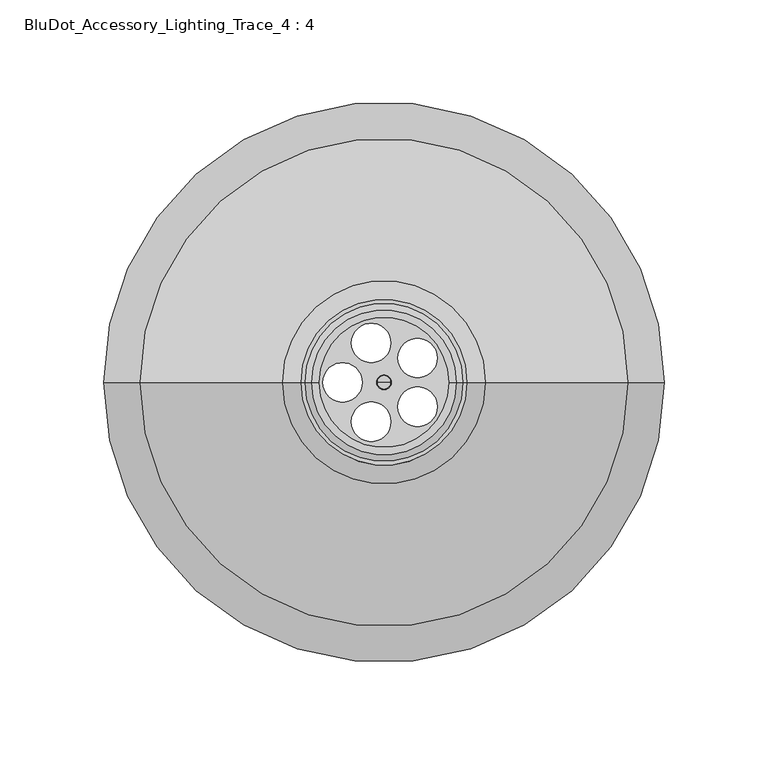
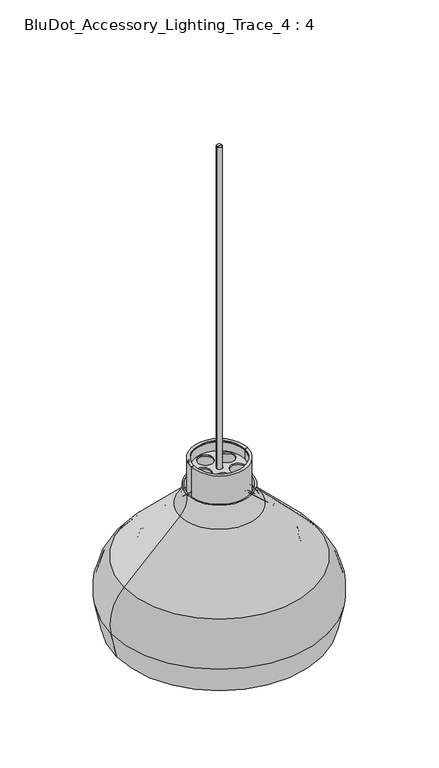
"""IFC4 building model written with IfcOpenShell, lengths in millimetres: furniture geometry, BluDot_Accessory_Lighting_Trace_4 : 4."""

from ifc_helpers import new_model, si_unit, point, frame, frame_2d, origin, origin_2d, place, context, project, spatial, polyline, circle_curve, ellipse_curve, trimmed, segment, composite_curve, outline, extrude, source, transform, mapped, element, save
from ifc_brep_helpers import plane_surface, cylinder_surface, revolved_surface, advanced_brep


def bludot_accessory_lighting_trace_4_4_f2bcf059(model_context):
    return source(origin(), model_context, "Body", "SolidModel", [
        advanced_brep(
        [(-31.4002507, 0.0, 2038.0303814), (31.4002507, 0.0, 2038.0303814), (33.1782507, 0.0, 2038.0303814), (-33.1782507, 0.0, 2038.0303814), (33.1782507, 0.0, 1993.7001314), (-33.1782507, 0.0, 1993.7001314), (43.8944549, 0.0, 1972.6842888), (-43.8944549, 0.0, 1972.6842888), (78.4986346, 0.0, 1940.4153678), (-78.4986346, 0.0, 1940.4153678), (88.0526367, 0.0, 1910.113957), (-88.0526367, 0.0, 1910.113957), (84.7150391, 0.0, 1894.4117749), (-84.7150391, 0.0, 1894.4117749), (82.8973177, 0.0, 1894.4117749), (-82.8973177, 0.0, 1894.4117749), (-31.4002507, 0.0, 1993.5922158), (31.4002507, 0.0, 1993.5922158), (-42.6818618, 0.0, 1971.3839419), (42.6818618, 0.0, 1971.3839419), (-77.2860415, 0.0, 1939.1150209), (77.2860415, 0.0, 1939.1150209), (-86.3134902, 0.0, 1910.4836235), (86.3134902, 0.0, 1910.4836235)],
        [
            (0, 1, circle_curve(frame((0.0, 0.0, 2038.0303814), z_axis=(0.0, 0.0, -1.0), x_axis=(1.0, 0.0, 0.0)), 31.4002507)),
            (1, 2),
            (2, 3, circle_curve(frame((0.0, 0.0, 2038.0303814), z_axis=(0.0, 0.0, 1.0), x_axis=(1.0, 0.0, 0.0)), 33.1782507)),
            (3, 0),
            (1, 0, circle_curve(frame((0.0, 0.0, 2038.0303814), z_axis=(0.0, 0.0, -1.0), x_axis=(1.0, 0.0, 0.0)), 31.4002507)),
            (3, 2, circle_curve(frame((0.0, 0.0, 2038.0303814), z_axis=(0.0, 0.0, 1.0), x_axis=(1.0, 0.0, 0.0)), 33.1782507)),
            (2, 4),
            (4, 5, circle_curve(frame((0.0, 0.0, 1993.7001314), z_axis=(0.0, 0.0, 1.0), x_axis=(1.0, 0.0, 0.0)), 33.1782507)),
            (5, 3),
            (5, 4, circle_curve(frame((0.0, 0.0, 1993.7001314), z_axis=(0.0, 0.0, 1.0), x_axis=(1.0, 0.0, 0.0)), 33.1782507)),
            (4, 6, circle_curve(frame((67.434128, 0.0, 1997.9274966), z_axis=(0.0, -1.0, 0.0), x_axis=(1.0, 0.0, 0.0)), 34.5157319)),
            (6, 7, circle_curve(frame((0.0, 0.0, 1972.6842888), z_axis=(0.0, 0.0, 1.0), x_axis=(1.0, 0.0, 0.0)), 43.8944549)),
            (7, 5, circle_curve(frame((-67.434128, 0.0, 1997.9274966), z_axis=(0.0, -1.0, 0.0), x_axis=(-1.0, 0.0, 0.0)), 34.5157319)),
            (7, 6, circle_curve(frame((0.0, 0.0, 1972.6842888), z_axis=(0.0, 0.0, 1.0), x_axis=(1.0, 0.0, 0.0)), 43.8944549)),
            (6, 8),
            (8, 9, circle_curve(frame((0.0, 0.0, 1940.4153678), z_axis=(0.0, 0.0, 1.0), x_axis=(1.0, 0.0, 0.0)), 78.4986346)),
            (9, 7),
            (9, 8, circle_curve(frame((0.0, 0.0, 1940.4153678), z_axis=(0.0, 0.0, 1.0), x_axis=(1.0, 0.0, 0.0)), 78.4986346)),
            (8, 10, circle_curve(frame((56.4968457, 0.0, 1916.8213388), z_axis=(0.0, 1.0, 0.0), x_axis=(1.0, 0.0, 0.0)), 32.2607643)),
            (10, 11, circle_curve(frame((0.0, 0.0, 1910.113957), z_axis=(0.0, 0.0, 1.0), x_axis=(1.0, 0.0, 0.0)), 88.0526367)),
            (11, 9, circle_curve(frame((-56.4968457, 0.0, 1916.8213388), z_axis=(0.0, 1.0, 0.0), x_axis=(-1.0, 0.0, 0.0)), 32.2607643)),
            (11, 10, circle_curve(frame((0.0, 0.0, 1910.113957), z_axis=(0.0, 0.0, 1.0), x_axis=(1.0, 0.0, 0.0)), 88.0526367)),
            (10, 12),
            (12, 13, circle_curve(frame((0.0, 0.0, 1894.4117749), z_axis=(0.0, 0.0, 1.0), x_axis=(1.0, 0.0, 0.0)), 84.7150391)),
            (13, 11),
            (13, 12, circle_curve(frame((0.0, 0.0, 1894.4117749), z_axis=(0.0, 0.0, 1.0), x_axis=(1.0, 0.0, 0.0)), 84.7150391)),
            (12, 14),
            (14, 15, circle_curve(frame((0.0, 0.0, 1894.4117749), z_axis=(0.0, 0.0, 1.0), x_axis=(1.0, 0.0, 0.0)), 82.8973177)),
            (15, 13),
            (15, 14, circle_curve(frame((0.0, 0.0, 1894.4117749), z_axis=(0.0, 0.0, 1.0), x_axis=(1.0, 0.0, 0.0)), 82.8973177)),
            (16, 17, circle_curve(frame((0.0, 0.0, 1993.5922158), z_axis=(0.0, 0.0, -1.0), x_axis=(1.0, 0.0, 0.0)), 31.4002507)),
            (17, 1),
            (0, 16),
            (17, 16, circle_curve(frame((0.0, 0.0, 1993.5922158), z_axis=(0.0, 0.0, -1.0), x_axis=(1.0, 0.0, 0.0)), 31.4002507)),
            (18, 19, circle_curve(frame((0.0, 0.0, 1971.3839419), z_axis=(0.0, 0.0, -1.0), x_axis=(1.0, 0.0, 0.0)), 42.6818618)),
            (19, 17, circle_curve(frame((67.434128, 0.0, 1997.9274966), z_axis=(0.0, 1.0, 0.0), x_axis=(1.0, 0.0, 0.0)), 36.2937319)),
            (16, 18, circle_curve(frame((-67.434128, 0.0, 1997.9274966), z_axis=(0.0, 1.0, 0.0), x_axis=(-1.0, 0.0, 0.0)), 36.2937319)),
            (19, 18, circle_curve(frame((0.0, 0.0, 1971.3839419), z_axis=(0.0, 0.0, -1.0), x_axis=(1.0, 0.0, 0.0)), 42.6818618)),
            (20, 21, circle_curve(frame((0.0, 0.0, 1939.1150209), z_axis=(0.0, 0.0, -1.0), x_axis=(1.0, 0.0, 0.0)), 77.2860415)),
            (21, 19),
            (18, 20),
            (21, 20, circle_curve(frame((0.0, 0.0, 1939.1150209), z_axis=(0.0, 0.0, -1.0), x_axis=(1.0, 0.0, 0.0)), 77.2860415)),
            (22, 23, circle_curve(frame((0.0, 0.0, 1910.4836235), z_axis=(0.0, 0.0, -1.0), x_axis=(1.0, 0.0, 0.0)), 86.3134902)),
            (23, 21, circle_curve(frame((56.4968457, 0.0, 1916.8213388), z_axis=(0.0, -1.0, 0.0), x_axis=(1.0, 0.0, 0.0)), 30.4827643)),
            (20, 22, circle_curve(frame((-56.4968457, 0.0, 1916.8213388), z_axis=(0.0, -1.0, 0.0), x_axis=(-1.0, 0.0, 0.0)), 30.4827643)),
            (23, 22, circle_curve(frame((0.0, 0.0, 1910.4836235), z_axis=(0.0, 0.0, -1.0), x_axis=(1.0, 0.0, 0.0)), 86.3134902)),
            (14, 23),
            (22, 15),
        ],
        [
            plane_surface(frame((0.0, 0.0, 2038.0303814), z_axis=(0.0, 0.0, 1.0), x_axis=(1.0, 0.0, 0.0))),
            cylinder_surface(frame((0.0, 0.0, 2363.3344632), z_axis=(0.0, 0.0, 1.0), x_axis=(1.0, 0.0, 0.0)), 33.1782507),
            revolved_surface(trimmed(ellipse_curve(frame((67.434128, 0.0, 1997.9274966), z_axis=(0.0, 1.0, 0.0), x_axis=(1.0, 0.0, 0.0)), 34.5157319, 34.5157319), [point((43.8944549, 0.0, 1972.6842888))], [point((33.1782507, 0.0, 1993.7001314))], True, "CARTESIAN"), (0.0, 0.0, 2363.3344632), (0.0, 0.0, 1.0)),
            revolved_surface(polyline([(78.4986346, 0.0, 1940.4153678), (43.8944549, 0.0, 1972.6842888)]), (0.0, 0.0, 2363.3344632), (0.0, 0.0, 1.0)),
            revolved_surface(trimmed(ellipse_curve(frame((56.4968457, 0.0, 1916.8213388), z_axis=(0.0, -1.0, 0.0), x_axis=(1.0, 0.0, 0.0)), 32.2607643, 32.2607643), [point((88.0526367, 0.0, 1910.113957))], [point((78.4986346, 0.0, 1940.4153678))], True, "CARTESIAN"), (0.0, 0.0, 2363.3344632), (0.0, 0.0, 1.0)),
            revolved_surface(polyline([(84.7150391, 0.0, 1894.4117749), (88.0526367, 0.0, 1910.113957)]), (0.0, 0.0, 2363.3344632), (0.0, 0.0, 1.0)),
            plane_surface(frame((0.0, 0.0, 1894.4117749), z_axis=(0.0, 0.0, -1.0), x_axis=(1.0, 0.0, 0.0))),
            revolved_surface(polyline([(31.4002507, 0.0, 2038.0303814), (31.4002507, 0.0, 1993.5922158)]), (0.0, 0.0, 2363.3344632), (0.0, 0.0, 1.0)),
            revolved_surface(trimmed(ellipse_curve(frame((67.434128, 0.0, 1997.9274966), z_axis=(0.0, -1.0, 0.0), x_axis=(1.0, 0.0, 0.0)), 36.2937319, 36.2937319), [point((31.4002507, 0.0, 1993.5922158))], [point((42.6818618, 0.0, 1971.3839419))], True, "CARTESIAN"), (0.0, 0.0, 2363.3344632), (0.0, 0.0, 1.0)),
            revolved_surface(polyline([(42.6818618, 0.0, 1971.3839419), (77.2860415, 0.0, 1939.1150209)]), (0.0, 0.0, 2363.3344632), (0.0, 0.0, 1.0)),
            revolved_surface(trimmed(ellipse_curve(frame((56.4968457, 0.0, 1916.8213388), z_axis=(0.0, 1.0, 0.0), x_axis=(1.0, 0.0, 0.0)), 30.4827643, 30.4827643), [point((77.2860415, 0.0, 1939.1150209))], [point((86.3134902, 0.0, 1910.4836235))], True, "CARTESIAN"), (0.0, 0.0, 2363.3344632), (0.0, 0.0, 1.0)),
            revolved_surface(polyline([(86.3134902, 0.0, 1910.4836235), (82.8973177, 0.0, 1894.4117749)]), (0.0, 0.0, 2363.3344632), (0.0, 0.0, 1.0)),
        ],
        [
            (0, [[1, 2, 3, 4]]),
            (0, [[5, -4, 6, -2]]),
            (1, [[-3, 7, 8, 9]]),
            (1, [[-6, -9, 10, -7]]),
            (2, [[-8, 11, 12, 13]]),
            (2, [[-10, -13, 14, -11]]),
            (3, [[-12, 15, 16, 17]]),
            (3, [[-14, -17, 18, -15]]),
            (4, [[-16, 19, 20, 21]]),
            (4, [[-18, -21, 22, -19]]),
            (5, [[-20, 23, 24, 25]]),
            (5, [[-22, -25, 26, -23]]),
            (6, [[-24, 27, 28, 29]]),
            (6, [[-26, -29, 30, -27]]),
            (7, [[31, 32, -1, 33]]),
            (7, [[34, -33, -5, -32]]),
            (8, [[35, 36, -31, 37]]),
            (8, [[38, -37, -34, -36]]),
            (9, [[39, 40, -35, 41]]),
            (9, [[42, -41, -38, -40]]),
            (10, [[43, 44, -39, 45]]),
            (10, [[46, -45, -42, -44]]),
            (11, [[-28, 47, -43, 48]]),
            (11, [[-30, -48, -46, -47]]),
        ],
    ),
        advanced_brep(
        [(-31.4002507, 0.0, 2039.8083814), (31.4002507, 0.0, 2039.8083814), (34.9562507, 0.0, 2039.8083814), (-34.9562507, 0.0, 2039.8083814), (34.9562507, 0.0, 1993.810875), (-34.9562507, 0.0, 1993.810875), (-31.4002507, 0.0, 2038.0303814), (31.4002507, 0.0, 2038.0303814), (-33.1782507, 0.0, 2038.0303814), (33.1782507, 0.0, 2038.0303814), (-33.1782507, 0.0, 1993.7001314), (33.1782507, 0.0, 1993.7001314), (-43.8944549, 0.0, 1972.6842888), (43.8944549, 0.0, 1972.6842888), (-78.4986346, 0.0, 1940.4153678), (78.4986346, 0.0, 1940.4153678), (-88.0526367, 0.0, 1910.113957), (88.0526367, 0.0, 1910.113957), (-84.7150391, 0.0, 1894.4117749), (84.7150391, 0.0, 1894.4117749), (-86.5327606, 0.0, 1894.4117749), (86.5327606, 0.0, 1894.4117749), (-89.7917832, 0.0, 1909.7442904), (89.7917832, 0.0, 1909.7442904), (-79.7112277, 0.0, 1941.7157146), (79.7112277, 0.0, 1941.7157146), (-45.107048, 0.0, 1973.9846356), (45.107048, 0.0, 1973.9846356)],
        [
            (0, 1, circle_curve(frame((0.0, 0.0, 2039.8083814), z_axis=(0.0, 0.0, -1.0), x_axis=(1.0, 0.0, 0.0)), 31.4002507)),
            (1, 2),
            (2, 3, circle_curve(frame((0.0, 0.0, 2039.8083814), z_axis=(0.0, 0.0, 1.0), x_axis=(1.0, 0.0, 0.0)), 34.9562507)),
            (3, 0),
            (1, 0, circle_curve(frame((0.0, 0.0, 2039.8083814), z_axis=(0.0, 0.0, -1.0), x_axis=(1.0, 0.0, 0.0)), 31.4002507)),
            (3, 2, circle_curve(frame((0.0, 0.0, 2039.8083814), z_axis=(0.0, 0.0, 1.0), x_axis=(1.0, 0.0, 0.0)), 34.9562507)),
            (2, 4),
            (4, 5, circle_curve(frame((0.0, 0.0, 1993.810875), z_axis=(0.0, 0.0, 1.0), x_axis=(1.0, 0.0, 0.0)), 34.9562507)),
            (5, 3),
            (5, 4, circle_curve(frame((0.0, 0.0, 1993.810875), z_axis=(0.0, 0.0, 1.0), x_axis=(1.0, 0.0, 0.0)), 34.9562507)),
            (6, 7, circle_curve(frame((0.0, 0.0, 2038.0303814), z_axis=(0.0, 0.0, -1.0), x_axis=(1.0, 0.0, 0.0)), 31.4002507)),
            (7, 1),
            (0, 6),
            (7, 6, circle_curve(frame((0.0, 0.0, 2038.0303814), z_axis=(0.0, 0.0, -1.0), x_axis=(1.0, 0.0, 0.0)), 31.4002507)),
            (8, 9, circle_curve(frame((0.0, 0.0, 2038.0303814), z_axis=(0.0, 0.0, -1.0), x_axis=(1.0, 0.0, 0.0)), 33.1782507)),
            (9, 7),
            (6, 8),
            (9, 8, circle_curve(frame((0.0, 0.0, 2038.0303814), z_axis=(0.0, 0.0, -1.0), x_axis=(1.0, 0.0, 0.0)), 33.1782507)),
            (10, 11, circle_curve(frame((0.0, 0.0, 1993.7001314), z_axis=(0.0, 0.0, -1.0), x_axis=(1.0, 0.0, 0.0)), 33.1782507)),
            (11, 9),
            (8, 10),
            (11, 10, circle_curve(frame((0.0, 0.0, 1993.7001314), z_axis=(0.0, 0.0, -1.0), x_axis=(1.0, 0.0, 0.0)), 33.1782507)),
            (12, 13, circle_curve(frame((0.0, 0.0, 1972.6842888), z_axis=(0.0, 0.0, -1.0), x_axis=(1.0, 0.0, 0.0)), 43.8944549)),
            (13, 11, circle_curve(frame((67.434128, 0.0, 1997.9274966), z_axis=(0.0, 1.0, 0.0), x_axis=(1.0, 0.0, 0.0)), 34.5157319)),
            (10, 12, circle_curve(frame((-67.434128, 0.0, 1997.9274966), z_axis=(0.0, 1.0, 0.0), x_axis=(-1.0, 0.0, 0.0)), 34.5157319)),
            (13, 12, circle_curve(frame((0.0, 0.0, 1972.6842888), z_axis=(0.0, 0.0, -1.0), x_axis=(1.0, 0.0, 0.0)), 43.8944549)),
            (14, 15, circle_curve(frame((0.0, 0.0, 1940.4153678), z_axis=(0.0, 0.0, -1.0), x_axis=(1.0, 0.0, 0.0)), 78.4986346)),
            (15, 13),
            (12, 14),
            (15, 14, circle_curve(frame((0.0, 0.0, 1940.4153678), z_axis=(0.0, 0.0, -1.0), x_axis=(1.0, 0.0, 0.0)), 78.4986346)),
            (16, 17, circle_curve(frame((0.0, 0.0, 1910.113957), z_axis=(0.0, 0.0, -1.0), x_axis=(1.0, 0.0, 0.0)), 88.0526367)),
            (17, 15, circle_curve(frame((56.4968457, 0.0, 1916.8213388), z_axis=(0.0, -1.0, 0.0), x_axis=(1.0, 0.0, 0.0)), 32.2607643)),
            (14, 16, circle_curve(frame((-56.4968457, 0.0, 1916.8213388), z_axis=(0.0, -1.0, 0.0), x_axis=(-1.0, 0.0, 0.0)), 32.2607643)),
            (17, 16, circle_curve(frame((0.0, 0.0, 1910.113957), z_axis=(0.0, 0.0, -1.0), x_axis=(1.0, 0.0, 0.0)), 88.0526367)),
            (18, 19, circle_curve(frame((0.0, 0.0, 1894.4117749), z_axis=(0.0, 0.0, -1.0), x_axis=(1.0, 0.0, 0.0)), 84.7150391)),
            (19, 17),
            (16, 18),
            (19, 18, circle_curve(frame((0.0, 0.0, 1894.4117749), z_axis=(0.0, 0.0, -1.0), x_axis=(1.0, 0.0, 0.0)), 84.7150391)),
            (20, 21, circle_curve(frame((0.0, 0.0, 1894.4117749), z_axis=(0.0, 0.0, -1.0), x_axis=(1.0, 0.0, 0.0)), 86.5327606)),
            (21, 19),
            (18, 20),
            (21, 20, circle_curve(frame((0.0, 0.0, 1894.4117749), z_axis=(0.0, 0.0, -1.0), x_axis=(1.0, 0.0, 0.0)), 86.5327606)),
            (22, 23, circle_curve(frame((0.0, 0.0, 1909.7442904), z_axis=(0.0, 0.0, -1.0), x_axis=(1.0, 0.0, 0.0)), 89.7917832)),
            (23, 21),
            (20, 22),
            (23, 22, circle_curve(frame((0.0, 0.0, 1909.7442904), z_axis=(0.0, 0.0, -1.0), x_axis=(1.0, 0.0, 0.0)), 89.7917832)),
            (24, 25, circle_curve(frame((0.0, 0.0, 1941.7157146), z_axis=(0.0, 0.0, -1.0), x_axis=(1.0, 0.0, 0.0)), 79.7112277)),
            (25, 23, circle_curve(frame((56.4968457, 0.0, 1916.8213388), z_axis=(0.0, 1.0, 0.0), x_axis=(1.0, 0.0, 0.0)), 34.0387643)),
            (22, 24, circle_curve(frame((-56.4968457, 0.0, 1916.8213388), z_axis=(0.0, 1.0, 0.0), x_axis=(-1.0, 0.0, 0.0)), 34.0387643)),
            (25, 24, circle_curve(frame((0.0, 0.0, 1941.7157146), z_axis=(0.0, 0.0, -1.0), x_axis=(1.0, 0.0, 0.0)), 79.7112277)),
            (26, 27, circle_curve(frame((0.0, 0.0, 1973.9846356), z_axis=(0.0, 0.0, -1.0), x_axis=(1.0, 0.0, 0.0)), 45.107048)),
            (27, 25),
            (24, 26),
            (27, 26, circle_curve(frame((0.0, 0.0, 1973.9846356), z_axis=(0.0, 0.0, -1.0), x_axis=(1.0, 0.0, 0.0)), 45.107048)),
            (4, 27, circle_curve(frame((67.434128, 0.0, 1997.9274966), z_axis=(0.0, -1.0, 0.0), x_axis=(1.0, 0.0, 0.0)), 32.7377319)),
            (26, 5, circle_curve(frame((-67.434128, 0.0, 1997.9274966), z_axis=(0.0, -1.0, 0.0), x_axis=(-1.0, 0.0, 0.0)), 32.7377319)),
        ],
        [
            plane_surface(frame((0.0, 0.0, 2039.8083814), z_axis=(0.0, 0.0, 1.0), x_axis=(1.0, 0.0, 0.0))),
            cylinder_surface(frame((0.0, 0.0, 2363.3344632), z_axis=(0.0, 0.0, 1.0), x_axis=(1.0, 0.0, 0.0)), 34.9562507),
            revolved_surface(polyline([(31.4002507, 0.0, 2039.8083814), (31.4002507, 0.0, 2038.0303814)]), (0.0, 0.0, 2363.3344632), (0.0, 0.0, 1.0)),
            plane_surface(frame((0.0, 0.0, 2038.0303814), z_axis=(0.0, 0.0, -1.0), x_axis=(1.0, 0.0, 0.0))),
            revolved_surface(polyline([(33.1782507, 0.0, 2038.0303814), (33.1782507, 0.0, 1993.7001314)]), (0.0, 0.0, 2363.3344632), (0.0, 0.0, 1.0)),
            revolved_surface(trimmed(ellipse_curve(frame((67.434128, 0.0, 1997.9274966), z_axis=(0.0, -1.0, 0.0), x_axis=(1.0, 0.0, 0.0)), 34.5157319, 34.5157319), [point((33.1782507, 0.0, 1993.7001314))], [point((43.8944549, 0.0, 1972.6842888))], True, "CARTESIAN"), (0.0, 0.0, 2363.3344632), (0.0, 0.0, 1.0)),
            revolved_surface(polyline([(43.8944549, 0.0, 1972.6842888), (78.4986346, 0.0, 1940.4153678)]), (0.0, 0.0, 2363.3344632), (0.0, 0.0, 1.0)),
            revolved_surface(trimmed(ellipse_curve(frame((56.4968457, 0.0, 1916.8213388), z_axis=(0.0, 1.0, 0.0), x_axis=(1.0, 0.0, 0.0)), 32.2607643, 32.2607643), [point((78.4986346, 0.0, 1940.4153678))], [point((88.0526367, 0.0, 1910.113957))], True, "CARTESIAN"), (0.0, 0.0, 2363.3344632), (0.0, 0.0, 1.0)),
            revolved_surface(polyline([(88.0526367, 0.0, 1910.113957), (84.7150391, 0.0, 1894.4117749)]), (0.0, 0.0, 2363.3344632), (0.0, 0.0, 1.0)),
            plane_surface(frame((0.0, 0.0, 1894.4117749), z_axis=(0.0, 0.0, -1.0), x_axis=(1.0, 0.0, 0.0))),
            revolved_surface(polyline([(86.5327606, 0.0, 1894.4117749), (89.7917832, 0.0, 1909.7442904)]), (0.0, 0.0, 2363.3344632), (0.0, 0.0, 1.0)),
            revolved_surface(trimmed(ellipse_curve(frame((56.4968457, 0.0, 1916.8213388), z_axis=(0.0, -1.0, 0.0), x_axis=(1.0, 0.0, 0.0)), 34.0387643, 34.0387643), [point((89.7917832, 0.0, 1909.7442904))], [point((79.7112277, 0.0, 1941.7157146))], True, "CARTESIAN"), (0.0, 0.0, 2363.3344632), (0.0, 0.0, 1.0)),
            revolved_surface(polyline([(79.7112277, 0.0, 1941.7157146), (45.107048, 0.0, 1973.9846356)]), (0.0, 0.0, 2363.3344632), (0.0, 0.0, 1.0)),
            revolved_surface(trimmed(ellipse_curve(frame((67.434128, 0.0, 1997.9274966), z_axis=(0.0, 1.0, 0.0), x_axis=(1.0, 0.0, 0.0)), 32.7377319, 32.7377319), [point((45.107048, 0.0, 1973.9846356))], [point((34.9562507, 0.0, 1993.810875))], True, "CARTESIAN"), (0.0, 0.0, 2363.3344632), (0.0, 0.0, 1.0)),
        ],
        [
            (0, [[1, 2, 3, 4]]),
            (0, [[5, -4, 6, -2]]),
            (1, [[-3, 7, 8, 9]]),
            (1, [[-6, -9, 10, -7]]),
            (2, [[11, 12, -1, 13]]),
            (2, [[14, -13, -5, -12]]),
            (3, [[15, 16, -11, 17]]),
            (3, [[18, -17, -14, -16]]),
            (4, [[19, 20, -15, 21]]),
            (4, [[22, -21, -18, -20]]),
            (5, [[23, 24, -19, 25]]),
            (5, [[26, -25, -22, -24]]),
            (6, [[27, 28, -23, 29]]),
            (6, [[30, -29, -26, -28]]),
            (7, [[31, 32, -27, 33]]),
            (7, [[34, -33, -30, -32]]),
            (8, [[35, 36, -31, 37]]),
            (8, [[38, -37, -34, -36]]),
            (9, [[39, 40, -35, 41]]),
            (9, [[42, -41, -38, -40]]),
            (10, [[43, 44, -39, 45]]),
            (10, [[46, -45, -42, -44]]),
            (11, [[47, 48, -43, 49]]),
            (11, [[50, -49, -46, -48]]),
            (12, [[51, 52, -47, 53]]),
            (12, [[54, -53, -50, -52]]),
            (13, [[-8, 55, -51, 56]]),
            (13, [[-10, -56, -54, -55]]),
        ],
    ),
        advanced_brep(
        [(-117.8587047, 0.0, 1911.3447877), (117.8587047, 0.0, 1911.3447877), (133.9158744, 0.0, 1857.1366935), (-133.9158744, 0.0, 1857.1366935), (-49.0774613, 0.0, 1980.1260311), (49.0774613, 0.0, 1980.1260311), (-39.9999924, 0.0, 2005.0441182), (39.9999924, 0.0, 2005.0441182), (-38.2156504, 0.0, 2005.0441182), (38.2156504, 0.0, 2005.0441182), (-47.8202255, 0.0, 1978.8687953), (47.8202255, 0.0, 1978.8687953), (-116.6014689, 0.0, 1910.0875519), (116.6014689, 0.0, 1910.0875519), (-132.1767279, 0.0, 1857.5063605), (132.1767279, 0.0, 1857.5063605), (-125.1822479, 0.0, 1824.5999158), (125.1822479, 0.0, 1824.5999158), (-126.9999695, 0.0, 1824.5999158), (126.9999695, 0.0, 1824.5999158)],
        [
            (0, 1, circle_curve(frame((0.0, 0.0, 1911.3447877), z_axis=(0.0, 0.0, -1.0), x_axis=(1.0, 0.0, 0.0)), 117.8587047)),
            (1, 2, circle_curve(frame((75.9678434, 0.0, 1869.4539265), z_axis=(0.0, 1.0, 0.0), x_axis=(1.0, 0.0, 0.0)), 59.2426242)),
            (2, 3, circle_curve(frame((0.0, 0.0, 1857.1366935), z_axis=(0.0, 0.0, 1.0), x_axis=(1.0, 0.0, 0.0)), 133.9158744)),
            (3, 0, circle_curve(frame((-75.9678434, 0.0, 1869.4539265), z_axis=(0.0, 1.0, 0.0), x_axis=(-1.0, 0.0, 0.0)), 59.2426242)),
            (1, 0, circle_curve(frame((0.0, 0.0, 1911.3447877), z_axis=(0.0, 0.0, -1.0), x_axis=(1.0, 0.0, 0.0)), 117.8587047)),
            (3, 2, circle_curve(frame((0.0, 0.0, 1857.1366935), z_axis=(0.0, 0.0, 1.0), x_axis=(1.0, 0.0, 0.0)), 133.9158744)),
            (4, 5, circle_curve(frame((0.0, 0.0, 1980.1260311), z_axis=(0.0, 0.0, -1.0), x_axis=(1.0, 0.0, 0.0)), 49.0774613)),
            (5, 1),
            (0, 4),
            (5, 4, circle_curve(frame((0.0, 0.0, 1980.1260311), z_axis=(0.0, 0.0, -1.0), x_axis=(1.0, 0.0, 0.0)), 49.0774613)),
            (6, 7, circle_curve(frame((0.0, 0.0, 2005.0441182), z_axis=(0.0, 0.0, -1.0), x_axis=(1.0, 0.0, 0.0)), 39.9999924)),
            (7, 5, circle_curve(frame((71.2770845, 0.0, 2002.3256543), z_axis=(0.0, -1.0, 0.0), x_axis=(1.0, 0.0, 0.0)), 31.3950082)),
            (4, 6, circle_curve(frame((-71.2770845, 0.0, 2002.3256543), z_axis=(0.0, -1.0, 0.0), x_axis=(-1.0, 0.0, 0.0)), 31.3950082)),
            (7, 6, circle_curve(frame((0.0, 0.0, 2005.0441182), z_axis=(0.0, 0.0, -1.0), x_axis=(1.0, 0.0, 0.0)), 39.9999924)),
            (8, 9, circle_curve(frame((0.0, 0.0, 2005.0441182), z_axis=(0.0, 0.0, -1.0), x_axis=(1.0, 0.0, 0.0)), 38.2156504)),
            (9, 7),
            (6, 8),
            (9, 8, circle_curve(frame((0.0, 0.0, 2005.0441182), z_axis=(0.0, 0.0, -1.0), x_axis=(1.0, 0.0, 0.0)), 38.2156504)),
            (10, 11, circle_curve(frame((0.0, 0.0, 1978.8687953), z_axis=(0.0, 0.0, -1.0), x_axis=(1.0, 0.0, 0.0)), 47.8202255)),
            (11, 9, circle_curve(frame((71.2770845, 0.0, 2002.3256543), z_axis=(0.0, 1.0, 0.0), x_axis=(1.0, 0.0, 0.0)), 33.1730082)),
            (8, 10, circle_curve(frame((-71.2770845, 0.0, 2002.3256543), z_axis=(0.0, 1.0, 0.0), x_axis=(-1.0, 0.0, 0.0)), 33.1730082)),
            (11, 10, circle_curve(frame((0.0, 0.0, 1978.8687953), z_axis=(0.0, 0.0, -1.0), x_axis=(1.0, 0.0, 0.0)), 47.8202255)),
            (12, 13, circle_curve(frame((0.0, 0.0, 1910.0875519), z_axis=(0.0, 0.0, -1.0), x_axis=(1.0, 0.0, 0.0)), 116.6014689)),
            (13, 11),
            (10, 12),
            (13, 12, circle_curve(frame((0.0, 0.0, 1910.0875519), z_axis=(0.0, 0.0, -1.0), x_axis=(1.0, 0.0, 0.0)), 116.6014689)),
            (14, 15, circle_curve(frame((0.0, 0.0, 1857.5063605), z_axis=(0.0, 0.0, -1.0), x_axis=(1.0, 0.0, 0.0)), 132.1767279)),
            (15, 13, circle_curve(frame((75.9678434, 0.0, 1869.4539265), z_axis=(0.0, -1.0, 0.0), x_axis=(1.0, 0.0, 0.0)), 57.4646242)),
            (12, 14, circle_curve(frame((-75.9678434, 0.0, 1869.4539265), z_axis=(0.0, -1.0, 0.0), x_axis=(-1.0, 0.0, 0.0)), 57.4646242)),
            (15, 14, circle_curve(frame((0.0, 0.0, 1857.5063605), z_axis=(0.0, 0.0, -1.0), x_axis=(1.0, 0.0, 0.0)), 132.1767279)),
            (16, 17, circle_curve(frame((0.0, 0.0, 1824.5999158), z_axis=(0.0, 0.0, -1.0), x_axis=(1.0, 0.0, 0.0)), 125.1822479)),
            (17, 15),
            (14, 16),
            (17, 16, circle_curve(frame((0.0, 0.0, 1824.5999158), z_axis=(0.0, 0.0, -1.0), x_axis=(1.0, 0.0, 0.0)), 125.1822479)),
            (18, 19, circle_curve(frame((0.0, 0.0, 1824.5999158), z_axis=(0.0, 0.0, -1.0), x_axis=(1.0, 0.0, 0.0)), 126.9999695)),
            (19, 17),
            (16, 18),
            (19, 18, circle_curve(frame((0.0, 0.0, 1824.5999158), z_axis=(0.0, 0.0, -1.0), x_axis=(1.0, 0.0, 0.0)), 126.9999695)),
            (2, 19),
            (18, 3),
        ],
        [
            revolved_surface(trimmed(ellipse_curve(frame((75.9678434, 0.0, 1869.4539265), z_axis=(0.0, -1.0, 0.0), x_axis=(1.0, 0.0, 0.0)), 59.2426242, 59.2426242), [point((133.9158744, 0.0, 1857.1366935))], [point((117.8587047, 0.0, 1911.3447877))], True, "CARTESIAN"), (0.0, 0.0, 1840.5178953), (0.0, 0.0, 1.0)),
            revolved_surface(polyline([(117.8587047, 0.0, 1911.3447877), (49.0774613, 0.0, 1980.1260311)]), (0.0, 0.0, 1840.5178953), (0.0, 0.0, 1.0)),
            revolved_surface(trimmed(ellipse_curve(frame((71.2770845, 0.0, 2002.3256543), z_axis=(0.0, 1.0, 0.0), x_axis=(1.0, 0.0, 0.0)), 31.3950082, 31.3950082), [point((49.0774613, 0.0, 1980.1260311))], [point((39.9999924, 0.0, 2005.0441182))], True, "CARTESIAN"), (0.0, 0.0, 1840.5178953), (0.0, 0.0, 1.0)),
            plane_surface(frame((0.0, 0.0, 2005.0441182), z_axis=(0.0, 0.0, 1.0), x_axis=(1.0, 0.0, 0.0))),
            revolved_surface(trimmed(ellipse_curve(frame((71.2770845, 0.0, 2002.3256543), z_axis=(0.0, -1.0, 0.0), x_axis=(1.0, 0.0, 0.0)), 33.1730082, 33.1730082), [point((38.2156504, 0.0, 2005.0441182))], [point((47.8202255, 0.0, 1978.8687953))], True, "CARTESIAN"), (0.0, 0.0, 1840.5178953), (0.0, 0.0, 1.0)),
            revolved_surface(polyline([(47.8202255, 0.0, 1978.8687953), (116.6014689, 0.0, 1910.0875519)]), (0.0, 0.0, 1840.5178953), (0.0, 0.0, 1.0)),
            revolved_surface(trimmed(ellipse_curve(frame((75.9678434, 0.0, 1869.4539265), z_axis=(0.0, 1.0, 0.0), x_axis=(1.0, 0.0, 0.0)), 57.4646242, 57.4646242), [point((116.6014689, 0.0, 1910.0875519))], [point((132.1767279, 0.0, 1857.5063605))], True, "CARTESIAN"), (0.0, 0.0, 1840.5178953), (0.0, 0.0, 1.0)),
            revolved_surface(polyline([(132.1767279, 0.0, 1857.5063605), (125.1822479, 0.0, 1824.5999158)]), (0.0, 0.0, 1840.5178953), (0.0, 0.0, 1.0)),
            plane_surface(frame((0.0, 0.0, 1824.5999158), z_axis=(0.0, 0.0, -1.0), x_axis=(1.0, 0.0, 0.0))),
            revolved_surface(polyline([(126.9999695, 0.0, 1824.5999158), (133.9158744, 0.0, 1857.1366935)]), (0.0, 0.0, 1840.5178953), (0.0, 0.0, 1.0)),
        ],
        [
            (0, [[1, 2, 3, 4]]),
            (0, [[5, -4, 6, -2]]),
            (1, [[7, 8, -1, 9]]),
            (1, [[10, -9, -5, -8]]),
            (2, [[11, 12, -7, 13]]),
            (2, [[14, -13, -10, -12]]),
            (3, [[15, 16, -11, 17]]),
            (3, [[18, -17, -14, -16]]),
            (4, [[19, 20, -15, 21]]),
            (4, [[22, -21, -18, -20]]),
            (5, [[23, 24, -19, 25]]),
            (5, [[26, -25, -22, -24]]),
            (6, [[27, 28, -23, 29]]),
            (6, [[30, -29, -26, -28]]),
            (7, [[31, 32, -27, 33]]),
            (7, [[34, -33, -30, -32]]),
            (8, [[35, 36, -31, 37]]),
            (8, [[38, -37, -34, -36]]),
            (9, [[-3, 39, -35, 40]]),
            (9, [[-6, -40, -38, -39]]),
        ],
    ),
        extrude(outline(composite_curve([segment(trimmed(circle_curve(origin_2d(), 33.1782507), [point((-33.1782507, 0.0))], [point((33.1782507, 0.0))], False, "CARTESIAN"), True, "CONTINUOUS"), segment(trimmed(circle_curve(origin_2d(), 33.1782507), [point((33.1782507, 0.0))], [point((-33.1782507, 0.0))], False, "CARTESIAN"), True, "CONTINUOUS")], self_intersect=False), holes=[composite_curve([segment(trimmed(circle_curve(origin_2d(), 3.5214063), [point((-3.5214063, 0.0))], [point((3.5214063, 0.0))], True, "CARTESIAN"), True, "CONTINUOUS"), segment(trimmed(circle_curve(origin_2d(), 3.5214063), [point((3.5214063, 0.0))], [point((-3.5214063, 0.0))], True, "CARTESIAN"), True, "CONTINUOUS")], self_intersect=False), composite_curve([segment(trimmed(circle_curve(frame_2d((-6.1803408, 19.0211273)), 9.4999985), [point((-15.6803393, 19.0211273))], [point((3.3196578, 19.0211273))], True, "CARTESIAN"), True, "CONTINUOUS"), segment(trimmed(circle_curve(frame_2d((-6.1803408, 19.0211273)), 9.4999985), [point((3.3196578, 19.0211273))], [point((-15.6803393, 19.0211273))], True, "CARTESIAN"), True, "CONTINUOUS")], self_intersect=False), composite_curve([segment(trimmed(circle_curve(frame_2d((-19.9999989, -3e-07)), 9.4999985), [point((-29.4999974, -3e-07))], [point((-10.5000003, -3e-07))], True, "CARTESIAN"), True, "CONTINUOUS"), segment(trimmed(circle_curve(frame_2d((-19.9999989, -3e-07)), 9.4999985), [point((-10.5000003, -3e-07))], [point((-29.4999974, -3e-07))], True, "CARTESIAN"), True, "CONTINUOUS")], self_intersect=False), composite_curve([segment(trimmed(circle_curve(frame_2d((-6.1803414, -19.021127)), 9.4999985), [point((-15.6803399, -19.021127))], [point((3.3196572, -19.021127))], True, "CARTESIAN"), True, "CONTINUOUS"), segment(trimmed(circle_curve(frame_2d((-6.1803414, -19.021127)), 9.4999985), [point((3.3196572, -19.021127))], [point((-15.6803399, -19.021127))], True, "CARTESIAN"), True, "CONTINUOUS")], self_intersect=False), composite_curve([segment(trimmed(circle_curve(frame_2d((16.1803358, -11.7557026)), 9.4999985), [point((6.6803373, -11.7557026))], [point((25.6803343, -11.7557026))], True, "CARTESIAN"), True, "CONTINUOUS"), segment(trimmed(circle_curve(frame_2d((16.1803358, -11.7557026)), 9.4999985), [point((25.6803343, -11.7557026))], [point((6.6803373, -11.7557026))], True, "CARTESIAN"), True, "CONTINUOUS")], self_intersect=False), composite_curve([segment(trimmed(circle_curve(frame_2d((16.1803358, 11.7557039)), 9.4999985), [point((6.6803373, 11.7557039))], [point((25.6803343, 11.7557039))], True, "CARTESIAN"), True, "CONTINUOUS"), segment(trimmed(circle_curve(frame_2d((16.1803358, 11.7557039)), 9.4999985), [point((25.6803343, 11.7557039))], [point((6.6803373, 11.7557039))], True, "CARTESIAN"), True, "CONTINUOUS")], self_intersect=False)]), frame((0.0, 0.0, 2025.3083833), z_axis=(0.0, 0.0, 1.0), x_axis=(1.0, 0.0, 0.0)), (0.0, 0.0, 1.0), 1.5001689),
        advanced_brep(
        [(0.0, 0.0, 2446.2083814), (3.173458, 0.0, 2446.2083814), (-3.173458, 0.0, 2446.2083814), (-3.173458, 0.0, 2014.7874137), (3.173458, 0.0, 2014.7874137), (0.0, 0.0, 2014.7874137)],
        [
            (0, 1),
            (1, 2, circle_curve(frame((0.0, 0.0, 2446.2083814), z_axis=(0.0, 0.0, 1.0), x_axis=(1.0, 0.0, 0.0)), 3.173458)),
            (2, 0),
            (2, 1, circle_curve(frame((0.0, 0.0, 2446.2083814), z_axis=(0.0, 0.0, 1.0), x_axis=(1.0, 0.0, 0.0)), 3.173458)),
            (3, 4, circle_curve(frame((0.0, 0.0, 2014.7874137), z_axis=(0.0, 0.0, -1.0), x_axis=(1.0, 0.0, 0.0)), 3.173458)),
            (4, 5),
            (5, 3),
            (4, 3, circle_curve(frame((0.0, 0.0, 2014.7874137), z_axis=(0.0, 0.0, -1.0), x_axis=(1.0, 0.0, 0.0)), 3.173458)),
            (1, 4),
            (3, 2),
        ],
        [
            plane_surface(frame((0.0, 0.0, 2446.2083814), z_axis=(0.0, 0.0, 1.0), x_axis=(1.0, 0.0, 0.0))),
            plane_surface(frame((0.0, 0.0, 2014.7874137), z_axis=(0.0, 0.0, -1.0), x_axis=(1.0, 0.0, 0.0))),
            cylinder_surface(frame((0.0, 0.0, 1933.480164), z_axis=(0.0, 0.0, 1.0), x_axis=(1.0, 0.0, 0.0)), 3.173458),
        ],
        [
            (0, [[1, 2, 3]]),
            (0, [[-3, 4, -1]]),
            (1, [[5, 6, 7]]),
            (1, [[8, -7, -6]]),
            (2, [[-2, 9, -5, 10]]),
            (2, [[-4, -10, -8, -9]]),
        ],
    ),
    ])


if __name__ == "__main__":
    model = new_model("IFC4")
    model_context = context("Model", 3, world=origin())
    ifc_project = project(units=[si_unit("LENGTHUNIT", "METRE", prefix="MILLI")], contexts=[model_context])
    site = spatial("IfcSite", under=ifc_project)
    building = spatial("IfcBuilding", under=site)
    placement = place(None, origin())
    bludot_accessory_lighting_trace_4_4_shape = bludot_accessory_lighting_trace_4_4_f2bcf059(model_context)
    element("IfcFurniture", 1, ObjectType="BluDot_Accessory_Lighting_Trace_4 : 4", at=placement, inside=building, context=model_context, shape_type="MappedRepresentation", body=[
        mapped(bludot_accessory_lighting_trace_4_4_shape, transform((0.0, 0.0, 0.0), x_axis=(1.0, 0.0, 0.0), y_axis=(0.0, 1.0, 0.0), z_axis=(0.0, 0.0, 1.0))),
    ])
    save(model, "model.ifc")
